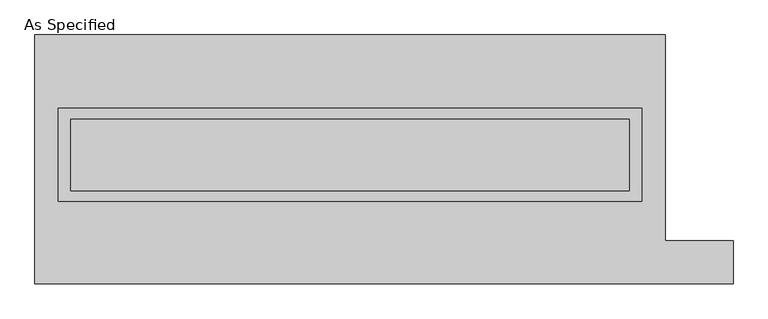
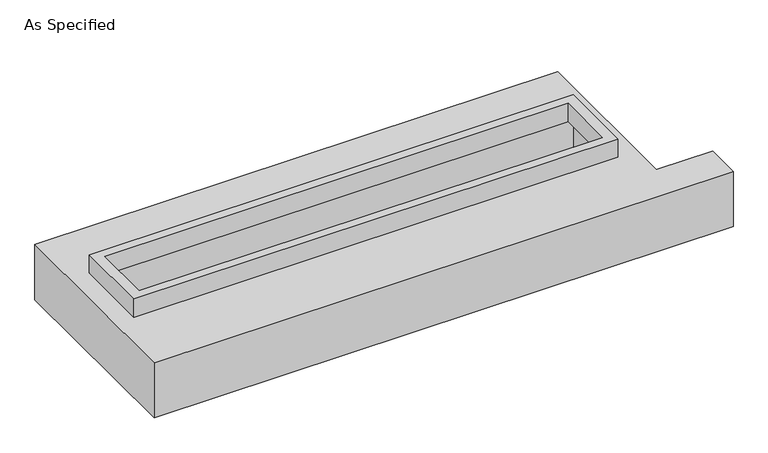
"""IFC4 building model written with IfcOpenShell, lengths in millimetres: proxy geometry, As Specified."""

import ifcopenshell
import ifcopenshell.guid

model = None  # the IFC model being written
_history = None  # IfcOwnerHistory: only IFC2X3 demands one
_inside = {}  # id of a spatial element -> (the spatial element, [elements in it])
_under = {}  # id of a project, library or spatial element -> (it, [spatial elements below it])
_declared = {}  # id of a project -> (the project, [libraries it declares])
_typed = {}  # id of a type object -> (the type object, [elements of that type])
_made_of = {}  # id of a material, layer set ... -> (it, [elements and type objects made of it])


def new_model(schema):
    """Start an empty IFC model of exactly this schema.

    Asked for "IFC4X3", IfcOpenShell would pick the latest addendum, in which some entities
    have other attributes; the version numbers below select the first issue.
    IFC2X3 requires an IfcOwnerHistory on every rooted entity: one is made here for all.
    """
    global model, _history
    if schema == "IFC4X3":
        model = ifcopenshell.file(schema_version=(4, 3, 0, 0))
    else:
        model = ifcopenshell.file(schema=schema)
    _inside.clear()
    _under.clear()
    _declared.clear()
    _typed.clear()
    _made_of.clear()
    _history = None
    if model.schema == "IFC2X3":
        org = make("IfcOrganization", Name="unknown")
        user = make(
            "IfcPersonAndOrganization",
            ThePerson=make("IfcPerson", FamilyName="unknown"),
            TheOrganization=org,
        )
        app = make(
            "IfcApplication",
            ApplicationDeveloper=org,
            Version="unknown",
            ApplicationFullName="unknown",
            ApplicationIdentifier="unknown",
        )
        _history = make(
            "IfcOwnerHistory",
            OwningUser=user,
            OwningApplication=app,
            ChangeAction="ADDED",
            CreationDate=0,
        )
    return model


def make(cls, **values):
    """One entity of the class cls with the attributes given. An attribute that is None is left unset."""
    return model.create_entity(
        cls, **{name: value for name, value in values.items() if value is not None}
    )


def rooted(cls, **values):
    """An entity with a GlobalId (a new one), such as an element, a storey or a relation."""
    return make(cls, GlobalId=ifcopenshell.guid.new(), OwnerHistory=_history, **values)


def si_unit(unit_type, name, prefix=None):
    """IfcSIUnit, for example si_unit("LENGTHUNIT", "METRE", prefix="MILLI")."""
    return make("IfcSIUnit", UnitType=unit_type, Prefix=prefix, Name=name)


def assignment(units):
    """IfcUnitAssignment: the units of a project."""
    return None if units is None else make("IfcUnitAssignment", Units=units)


def point(xyz):
    """IfcCartesianPoint."""
    return None if xyz is None else make("IfcCartesianPoint", Coordinates=xyz)


def direction(xyz):
    """IfcDirection."""
    return None if xyz is None else make("IfcDirection", DirectionRatios=xyz)


def frame(location, z_axis=None, x_axis=None):
    """IfcAxis2Placement3D, a coordinate frame: its origin and axes. An axis left out is left unset."""
    return make(
        "IfcAxis2Placement3D",
        Location=point(location),
        Axis=direction(z_axis),
        RefDirection=direction(x_axis),
    )


def origin():
    """The frame at (0, 0, 0) with its axes left unset."""
    return frame((0.0, 0.0, 0.0))


def place(relative_to, where):
    """IfcLocalPlacement: puts the frame where relative to a parent placement (None: the world)."""
    return make(
        "IfcLocalPlacement", PlacementRelTo=relative_to, RelativePlacement=where
    )


def context(
    kind, dimensions, precision=None, world=None, true_north=None, identifier=None
):
    """IfcGeometricRepresentationContext, for example the 3D "Model" context."""
    return make(
        "IfcGeometricRepresentationContext",
        ContextIdentifier=identifier,
        ContextType=kind,
        CoordinateSpaceDimension=dimensions,
        Precision=precision,
        WorldCoordinateSystem=world,
        TrueNorth=true_north,
    )


def project(units=None, contexts=None):
    """IfcProject with its units and contexts."""
    return rooted(
        "IfcProject",
        Name="project",
        RepresentationContexts=contexts,
        UnitsInContext=assignment(units),
    )


def spatial(cls, under=None, at=None, **own):
    """A site, building, storey or space (cls), placed at a placement, below another one or the project."""
    s = rooted(cls, ObjectPlacement=at, **own)
    if under is not None:
        _under.setdefault(under.id(), (under, []))[1].append(s)
    return s


def polyline(points):
    """IfcPolyline through the points."""
    return make("IfcPolyline", Points=[point(p) for p in points])


def outline(outer, holes=None, kind="AREA"):
    """IfcArbitraryClosedProfileDef: a profile drawn as a closed curve; with holes, ...WithVoids."""
    if holes is None:
        return make("IfcArbitraryClosedProfileDef", ProfileType=kind, OuterCurve=outer)
    return make(
        "IfcArbitraryProfileDefWithVoids",
        ProfileType=kind,
        OuterCurve=outer,
        InnerCurves=holes,
    )


def extrude(swept, where, along, depth):
    """IfcExtrudedAreaSolid: the profile swept, set in the frame where, extruded along a direction by depth."""
    return make(
        "IfcExtrudedAreaSolid",
        SweptArea=swept,
        Position=where,
        ExtrudedDirection=direction(along),
        Depth=depth,
    )


def faces_of(points, faces, orient=None, outer=None):
    """IfcFace entities. A face is a list of loops; a loop is a list of indices into points, from 0.

    orient and outer hold one flag for each loop. By default every Orientation is true, the
    first loop of a face is its IfcFaceOuterBound and the others are IfcFaceBound.
    """
    made = []
    for i, loops in enumerate(faces):
        bounds = []
        for j, loop in enumerate(loops):
            is_outer = j == 0 if outer is None else outer[i][j]
            bounds.append(
                make(
                    "IfcFaceOuterBound" if is_outer else "IfcFaceBound",
                    Bound=make("IfcPolyLoop", Polygon=[points[k] for k in loop]),
                    Orientation=True if orient is None else orient[i][j],
                )
            )
        made.append(make("IfcFace", Bounds=bounds))
    return made


def faceted_brep(points, faces, orient=None, outer=None, voids=None):
    """IfcFacetedBrep: a solid bounded by flat faces; with voids (closed shells), ...WithVoids."""
    shared = [point(p) for p in points]
    hull = make("IfcClosedShell", CfsFaces=faces_of(shared, faces, orient, outer))
    if voids is None:
        return make("IfcFacetedBrep", Outer=hull)
    return make(
        "IfcFacetedBrepWithVoids",
        Outer=hull,
        Voids=[
            make(cls, CfsFaces=faces_of(shared, fs, o, b)) for cls, fs, o, b in voids
        ],
    )


def shape(context_of_items, identifier, shape_type, items):
    """IfcShapeRepresentation: the items that make up one representation, for example the "Body"."""
    return make(
        "IfcShapeRepresentation",
        ContextOfItems=context_of_items,
        RepresentationIdentifier=identifier,
        RepresentationType=shape_type,
        Items=items,
    )


def source(mapping_origin, context_of_items, identifier, shape_type, items):
    """IfcRepresentationMap: a shape defined once, which mapped items show again and again."""
    return make(
        "IfcRepresentationMap",
        MappingOrigin=mapping_origin,
        MappedRepresentation=shape(context_of_items, identifier, shape_type, items),
    )


def transform(
    local_origin,
    x_axis=None,
    y_axis=None,
    z_axis=None,
    scale=None,
    scale2=None,
    scale3=None,
    uniform=True,
):
    """IfcCartesianTransformationOperator3D, or its non-uniform kind. x_axis, y_axis, z_axis: its Axis1, 2, 3."""
    if uniform:
        return make(
            "IfcCartesianTransformationOperator3D",
            Axis1=direction(x_axis),
            Axis2=direction(y_axis),
            LocalOrigin=point(local_origin),
            Scale=scale,
            Axis3=direction(z_axis),
        )
    return make(
        "IfcCartesianTransformationOperator3DnonUniform",
        Axis1=direction(x_axis),
        Axis2=direction(y_axis),
        LocalOrigin=point(local_origin),
        Scale=scale,
        Axis3=direction(z_axis),
        Scale2=scale2,
        Scale3=scale3,
    )


def mapped(mapping_source, mapping_target):
    """IfcMappedItem: shows the shape of a source again, moved by a transform."""
    return make(
        "IfcMappedItem", MappingSource=mapping_source, MappingTarget=mapping_target
    )


def made_of(thing, what):
    """Note that an element or type object is made of a material, layer set ...; save() writes the relation."""
    if what is not None:
        _made_of.setdefault(what.id(), (what, []))[1].append(thing)
    return thing


def element(
    cls,
    number,
    at=None,
    inside=None,
    cuts=None,
    type_object=None,
    material=None,
    context=None,
    identifier="Body",
    shape_type=None,
    held_by="IfcProductDefinitionShape",
    body=None,
    shapes=None,
    **own,
):
    """One element of the class cls, such as IfcWall. Its Tag is "e" and its number.

    at: its placement. inside: the storey or other place that contains it. cuts: it is an
    opening in that element (IfcRelVoidsElement). A single representation is given by context,
    identifier, shape_type and body (its items); several are given by shapes. held_by: the class
    of the entity that holds the representations. save() writes the other relations.
    """
    e = rooted(cls, Tag="e%d" % number, ObjectPlacement=at, **own)
    if body is not None:
        shapes = [shape(context, identifier, shape_type, body)]
    if shapes is not None:
        e.Representation = make(held_by, Representations=shapes)
    if inside is not None:
        _inside.setdefault(inside.id(), (inside, []))[1].append(e)
    if cuts is not None:
        rooted(
            "IfcRelVoidsElement", RelatingBuildingElement=cuts, RelatedOpeningElement=e
        )
    if type_object is not None:
        _typed.setdefault(type_object.id(), (type_object, []))[1].append(e)
    return made_of(e, material)


def aggregate(whole, parts):
    """IfcRelAggregates: a whole, such as a stair, and the parts it consists of."""
    return rooted("IfcRelAggregates", RelatingObject=whole, RelatedObjects=parts)


def save(model, path):
    """Write the relations noted so far, then the file.

    IfcRelAggregates (storeys below a building ...), IfcRelContainedInSpatialStructure (elements
    in a storey), IfcRelDefinesByType, IfcRelAssociatesMaterial and IfcRelDeclares: one each for
    every whole, place, type object, material and project.
    """
    for whole, parts in _under.values():
        aggregate(whole, parts)
    for where, things in _inside.values():
        rooted(
            "IfcRelContainedInSpatialStructure",
            RelatedElements=things,
            RelatingStructure=where,
        )
    for kind, things in _typed.values():
        rooted("IfcRelDefinesByType", RelatedObjects=things, RelatingType=kind)
    for what, things in _made_of.values():
        rooted("IfcRelAssociatesMaterial", RelatedObjects=things, RelatingMaterial=what)
    for by, libraries in _declared.values():
        rooted("IfcRelDeclares", RelatingContext=by, RelatedDefinitions=libraries)
    model.write(path)


def as_specified_882125e8(model_context):
    return source(origin(), model_context, "Body", "SolidModel", [
        extrude(outline(polyline([(2070.1, 361.95), (2070.1, -298.45), (-2070.1, -298.45), (-2070.1, 361.95), (2070.1, 361.95)]), holes=[polyline([(1981.2, 285.75), (-1981.2, 285.75), (-1981.2, -222.25), (1981.2, -222.25), (1981.2, 285.75)])]), frame((0.0, 0.0, -25.4), z_axis=(0.0, 0.0, 1.0), x_axis=(1.0, 0.0, 0.0)), (0.0, 0.0, 1.0), 165.1),
        faceted_brep([(-2235.2, 882.65, -523.875), (2235.2, 882.65, -523.875), (2235.2, -577.85, -523.875), (2717.8, -577.85, -523.875), (2717.8, -882.65, -523.875), (-2235.2, -882.65, -523.875), (2235.2, 882.65, -25.4), (-2235.2, 882.65, -25.4), (-2235.2, -882.65, -25.4), (2717.8, -882.65, -25.4), (2717.8, -577.85, -25.4), (2235.2, -577.85, -25.4), (-2070.1, -298.45, -25.4), (-2070.1, 361.95, -25.4), (2070.1, 361.95, -25.4), (2070.1, -298.45, -25.4), (2070.1, 361.95, -498.475), (-2070.1, 361.95, -498.475), (-2070.1, -298.45, -498.475), (2070.1, -298.45, -498.475)], [[[0, 1, 2, 3, 4, 5]], [[6, 7, 8, 9, 10, 11], [12, 13, 14, 15]], [[1, 0, 7, 6]], [[7, 0, 5, 8]], [[1, 6, 11, 2]], [[16, 17, 18, 19]], [[18, 17, 13, 12]], [[17, 16, 14, 13]], [[16, 19, 15, 14]], [[19, 18, 12, 15]], [[5, 4, 9, 8]], [[3, 2, 11, 10]], [[4, 3, 10, 9]]]),
    ])


if __name__ == "__main__":
    model = new_model("IFC4")
    model_context = context("Model", 3, world=origin())
    ifc_project = project(units=[si_unit("LENGTHUNIT", "METRE", prefix="MILLI")], contexts=[model_context])
    site = spatial("IfcSite", under=ifc_project)
    building = spatial("IfcBuilding", under=site)
    placement = place(None, origin())
    as_specified_shape = as_specified_882125e8(model_context)
    element("IfcBuildingElementProxy", 1, Name="As Specified", ObjectType="As Specified", at=placement, inside=building, context=model_context, shape_type="MappedRepresentation", body=[
        mapped(as_specified_shape, transform((0.0, 0.0, 0.0), x_axis=(1.0, 0.0, 0.0), y_axis=(0.0, 1.0, 0.0), z_axis=(0.0, 0.0, 1.0))),
    ])
    save(model, "model.ifc")
